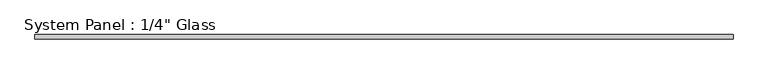
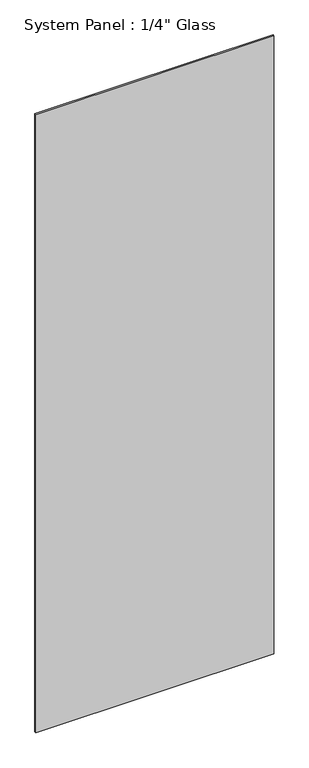
"""IFC4 building model written with IfcOpenShell, lengths in millimetres: plate geometry."""

from ifc_helpers import new_model, si_unit, origin, origin_with_axes, place, context, project, spatial, polyline, outline, extrude, source, transform, mapped, element, save


def plate_fde163bf(model_context):
    return source(origin(), model_context, "Body", "SweptSolid", [
        extrude(outline(polyline([(538.95625, -3.175), (-538.95625, -3.175), (-538.95625, 3.175), (538.95625, 3.175), (538.95625, -3.175)])), origin_with_axes(), (0.0, 0.0, 1.0), 2959.1),
    ])


if __name__ == "__main__":
    model = new_model("IFC4")
    model_context = context("Model", 3, world=origin())
    ifc_project = project(units=[si_unit("LENGTHUNIT", "METRE", prefix="MILLI")], contexts=[model_context])
    site = spatial("IfcSite", under=ifc_project)
    building = spatial("IfcBuilding", under=site)
    placement = place(None, origin())
    plate_shape = plate_fde163bf(model_context)
    element("IfcPlate", 1, ObjectType="System Panel : 1/4\" Glass", at=placement, inside=building, context=model_context, shape_type="MappedRepresentation", body=[
        mapped(plate_shape, transform((0.0, 0.0, 0.0), x_axis=(1.0, 0.0, 0.0), y_axis=(0.0, 1.0, 0.0), z_axis=(0.0, 0.0, 1.0))),
    ])
    save(model, "model.ifc")
